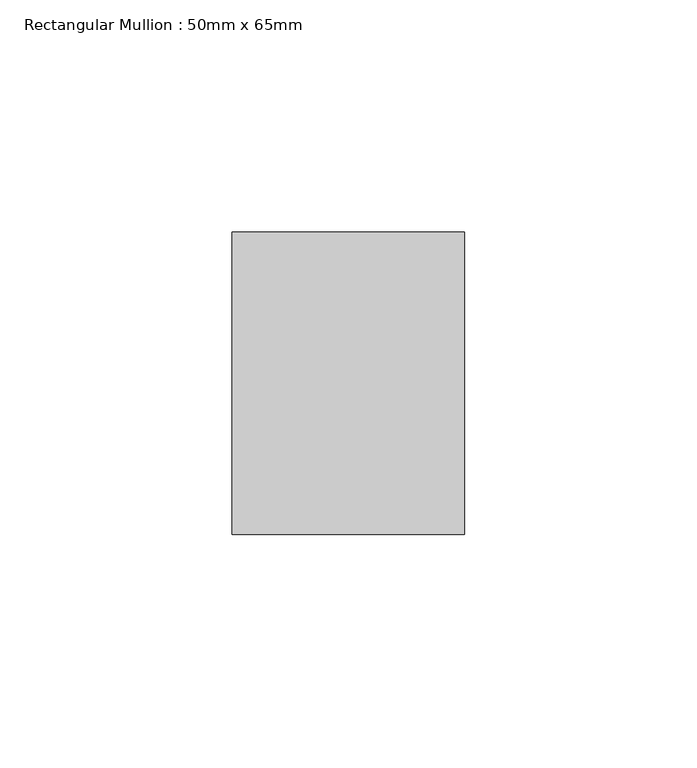
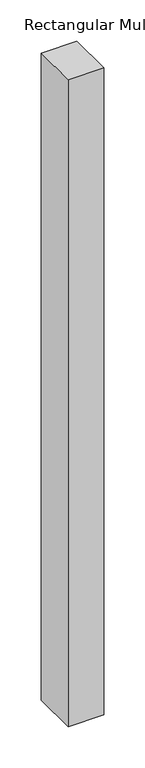
"""IFC4 building model written with IfcOpenShell, lengths in millimetres: member geometry, Rectangular Mullion : 50mm x 65mm."""

import ifcopenshell
import ifcopenshell.guid

model = None  # the IFC model being written
_history = None  # IfcOwnerHistory: only IFC2X3 demands one
_inside = {}  # id of a spatial element -> (the spatial element, [elements in it])
_under = {}  # id of a project, library or spatial element -> (it, [spatial elements below it])
_declared = {}  # id of a project -> (the project, [libraries it declares])
_typed = {}  # id of a type object -> (the type object, [elements of that type])
_made_of = {}  # id of a material, layer set ... -> (it, [elements and type objects made of it])


def new_model(schema):
    """Start an empty IFC model of exactly this schema.

    Asked for "IFC4X3", IfcOpenShell would pick the latest addendum, in which some entities
    have other attributes; the version numbers below select the first issue.
    IFC2X3 requires an IfcOwnerHistory on every rooted entity: one is made here for all.
    """
    global model, _history
    if schema == "IFC4X3":
        model = ifcopenshell.file(schema_version=(4, 3, 0, 0))
    else:
        model = ifcopenshell.file(schema=schema)
    _inside.clear()
    _under.clear()
    _declared.clear()
    _typed.clear()
    _made_of.clear()
    _history = None
    if model.schema == "IFC2X3":
        org = make("IfcOrganization", Name="unknown")
        user = make(
            "IfcPersonAndOrganization",
            ThePerson=make("IfcPerson", FamilyName="unknown"),
            TheOrganization=org,
        )
        app = make(
            "IfcApplication",
            ApplicationDeveloper=org,
            Version="unknown",
            ApplicationFullName="unknown",
            ApplicationIdentifier="unknown",
        )
        _history = make(
            "IfcOwnerHistory",
            OwningUser=user,
            OwningApplication=app,
            ChangeAction="ADDED",
            CreationDate=0,
        )
    return model


def make(cls, **values):
    """One entity of the class cls with the attributes given. An attribute that is None is left unset."""
    return model.create_entity(
        cls, **{name: value for name, value in values.items() if value is not None}
    )


def rooted(cls, **values):
    """An entity with a GlobalId (a new one), such as an element, a storey or a relation."""
    return make(cls, GlobalId=ifcopenshell.guid.new(), OwnerHistory=_history, **values)


def si_unit(unit_type, name, prefix=None):
    """IfcSIUnit, for example si_unit("LENGTHUNIT", "METRE", prefix="MILLI")."""
    return make("IfcSIUnit", UnitType=unit_type, Prefix=prefix, Name=name)


def assignment(units):
    """IfcUnitAssignment: the units of a project."""
    return None if units is None else make("IfcUnitAssignment", Units=units)


def point(xyz):
    """IfcCartesianPoint."""
    return None if xyz is None else make("IfcCartesianPoint", Coordinates=xyz)


def direction(xyz):
    """IfcDirection."""
    return None if xyz is None else make("IfcDirection", DirectionRatios=xyz)


def frame(location, z_axis=None, x_axis=None):
    """IfcAxis2Placement3D, a coordinate frame: its origin and axes. An axis left out is left unset."""
    return make(
        "IfcAxis2Placement3D",
        Location=point(location),
        Axis=direction(z_axis),
        RefDirection=direction(x_axis),
    )


def origin():
    """The frame at (0, 0, 0) with its axes left unset."""
    return frame((0.0, 0.0, 0.0))


def place(relative_to, where):
    """IfcLocalPlacement: puts the frame where relative to a parent placement (None: the world)."""
    return make(
        "IfcLocalPlacement", PlacementRelTo=relative_to, RelativePlacement=where
    )


def context(
    kind, dimensions, precision=None, world=None, true_north=None, identifier=None
):
    """IfcGeometricRepresentationContext, for example the 3D "Model" context."""
    return make(
        "IfcGeometricRepresentationContext",
        ContextIdentifier=identifier,
        ContextType=kind,
        CoordinateSpaceDimension=dimensions,
        Precision=precision,
        WorldCoordinateSystem=world,
        TrueNorth=true_north,
    )


def project(units=None, contexts=None):
    """IfcProject with its units and contexts."""
    return rooted(
        "IfcProject",
        Name="project",
        RepresentationContexts=contexts,
        UnitsInContext=assignment(units),
    )


def spatial(cls, under=None, at=None, **own):
    """A site, building, storey or space (cls), placed at a placement, below another one or the project."""
    s = rooted(cls, ObjectPlacement=at, **own)
    if under is not None:
        _under.setdefault(under.id(), (under, []))[1].append(s)
    return s


def polyline(points):
    """IfcPolyline through the points."""
    return make("IfcPolyline", Points=[point(p) for p in points])


def outline(outer, holes=None, kind="AREA"):
    """IfcArbitraryClosedProfileDef: a profile drawn as a closed curve; with holes, ...WithVoids."""
    if holes is None:
        return make("IfcArbitraryClosedProfileDef", ProfileType=kind, OuterCurve=outer)
    return make(
        "IfcArbitraryProfileDefWithVoids",
        ProfileType=kind,
        OuterCurve=outer,
        InnerCurves=holes,
    )


def extrude(swept, where, along, depth):
    """IfcExtrudedAreaSolid: the profile swept, set in the frame where, extruded along a direction by depth."""
    return make(
        "IfcExtrudedAreaSolid",
        SweptArea=swept,
        Position=where,
        ExtrudedDirection=direction(along),
        Depth=depth,
    )


def shape(context_of_items, identifier, shape_type, items):
    """IfcShapeRepresentation: the items that make up one representation, for example the "Body"."""
    return make(
        "IfcShapeRepresentation",
        ContextOfItems=context_of_items,
        RepresentationIdentifier=identifier,
        RepresentationType=shape_type,
        Items=items,
    )


def source(mapping_origin, context_of_items, identifier, shape_type, items):
    """IfcRepresentationMap: a shape defined once, which mapped items show again and again."""
    return make(
        "IfcRepresentationMap",
        MappingOrigin=mapping_origin,
        MappedRepresentation=shape(context_of_items, identifier, shape_type, items),
    )


def transform(
    local_origin,
    x_axis=None,
    y_axis=None,
    z_axis=None,
    scale=None,
    scale2=None,
    scale3=None,
    uniform=True,
):
    """IfcCartesianTransformationOperator3D, or its non-uniform kind. x_axis, y_axis, z_axis: its Axis1, 2, 3."""
    if uniform:
        return make(
            "IfcCartesianTransformationOperator3D",
            Axis1=direction(x_axis),
            Axis2=direction(y_axis),
            LocalOrigin=point(local_origin),
            Scale=scale,
            Axis3=direction(z_axis),
        )
    return make(
        "IfcCartesianTransformationOperator3DnonUniform",
        Axis1=direction(x_axis),
        Axis2=direction(y_axis),
        LocalOrigin=point(local_origin),
        Scale=scale,
        Axis3=direction(z_axis),
        Scale2=scale2,
        Scale3=scale3,
    )


def mapped(mapping_source, mapping_target):
    """IfcMappedItem: shows the shape of a source again, moved by a transform."""
    return make(
        "IfcMappedItem", MappingSource=mapping_source, MappingTarget=mapping_target
    )


def made_of(thing, what):
    """Note that an element or type object is made of a material, layer set ...; save() writes the relation."""
    if what is not None:
        _made_of.setdefault(what.id(), (what, []))[1].append(thing)
    return thing


def element(
    cls,
    number,
    at=None,
    inside=None,
    cuts=None,
    type_object=None,
    material=None,
    context=None,
    identifier="Body",
    shape_type=None,
    held_by="IfcProductDefinitionShape",
    body=None,
    shapes=None,
    **own,
):
    """One element of the class cls, such as IfcWall. Its Tag is "e" and its number.

    at: its placement. inside: the storey or other place that contains it. cuts: it is an
    opening in that element (IfcRelVoidsElement). A single representation is given by context,
    identifier, shape_type and body (its items); several are given by shapes. held_by: the class
    of the entity that holds the representations. save() writes the other relations.
    """
    e = rooted(cls, Tag="e%d" % number, ObjectPlacement=at, **own)
    if body is not None:
        shapes = [shape(context, identifier, shape_type, body)]
    if shapes is not None:
        e.Representation = make(held_by, Representations=shapes)
    if inside is not None:
        _inside.setdefault(inside.id(), (inside, []))[1].append(e)
    if cuts is not None:
        rooted(
            "IfcRelVoidsElement", RelatingBuildingElement=cuts, RelatedOpeningElement=e
        )
    if type_object is not None:
        _typed.setdefault(type_object.id(), (type_object, []))[1].append(e)
    return made_of(e, material)


def aggregate(whole, parts):
    """IfcRelAggregates: a whole, such as a stair, and the parts it consists of."""
    return rooted("IfcRelAggregates", RelatingObject=whole, RelatedObjects=parts)


def save(model, path):
    """Write the relations noted so far, then the file.

    IfcRelAggregates (storeys below a building ...), IfcRelContainedInSpatialStructure (elements
    in a storey), IfcRelDefinesByType, IfcRelAssociatesMaterial and IfcRelDeclares: one each for
    every whole, place, type object, material and project.
    """
    for whole, parts in _under.values():
        aggregate(whole, parts)
    for where, things in _inside.values():
        rooted(
            "IfcRelContainedInSpatialStructure",
            RelatedElements=things,
            RelatingStructure=where,
        )
    for kind, things in _typed.values():
        rooted("IfcRelDefinesByType", RelatedObjects=things, RelatingType=kind)
    for what, things in _made_of.values():
        rooted("IfcRelAssociatesMaterial", RelatedObjects=things, RelatingMaterial=what)
    for by, libraries in _declared.values():
        rooted("IfcRelDeclares", RelatingContext=by, RelatedDefinitions=libraries)
    model.write(path)


def rectangular_mullion_50mm_x_65mm_aa1cbf80(model_context):
    return source(origin(), model_context, "Body", "SweptSolid", [
        extrude(outline(polyline([(25.0, 32.5), (25.0, -32.5), (-25.0, -32.5), (-25.0, 32.5), (25.0, 32.5)])), frame((0.0, 0.0, -957.7638156), z_axis=(0.0, 0.0, 1.0), x_axis=(1.0, 0.0, 0.0)), (0.0, 0.0, 1.0), 957.7638156),
    ])


if __name__ == "__main__":
    model = new_model("IFC4")
    model_context = context("Model", 3, world=origin())
    ifc_project = project(units=[si_unit("LENGTHUNIT", "METRE", prefix="MILLI")], contexts=[model_context])
    site = spatial("IfcSite", under=ifc_project)
    building = spatial("IfcBuilding", under=site)
    placement = place(None, origin())
    rectangular_mullion_50mm_x_65mm_shape = rectangular_mullion_50mm_x_65mm_aa1cbf80(model_context)
    element("IfcMember", 1, ObjectType="Rectangular Mullion : 50mm x 65mm", at=placement, inside=building, context=model_context, shape_type="MappedRepresentation", body=[
        mapped(rectangular_mullion_50mm_x_65mm_shape, transform((0.0, 0.0, 0.0), x_axis=(1.0, 0.0, 0.0), y_axis=(0.0, 1.0, 0.0), z_axis=(0.0, 0.0, 1.0))),
    ])
    save(model, "model.ifc")
